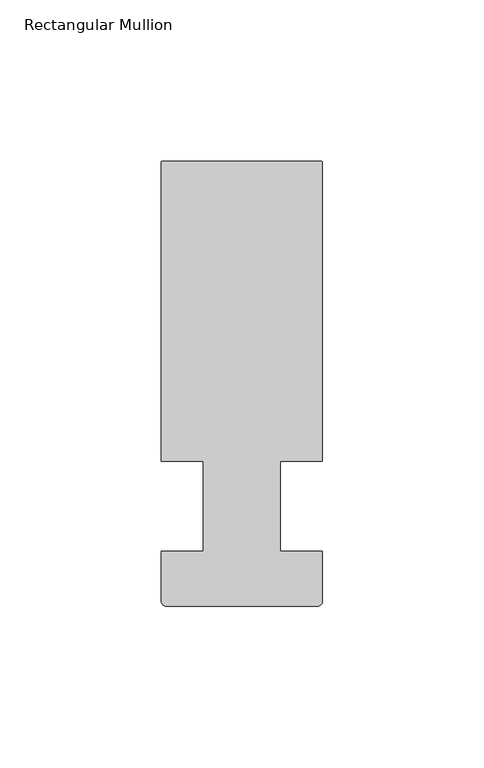
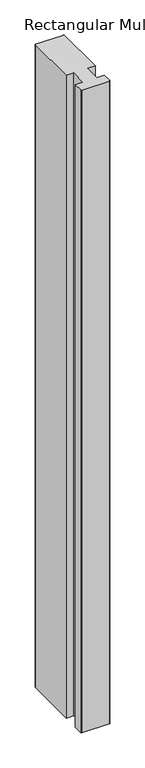
"""IFC4 building model written with IfcOpenShell, lengths in millimetres: member geometry, Rectangular Mullion."""

import ifcopenshell
import ifcopenshell.guid

model = None  # the IFC model being written
_history = None  # IfcOwnerHistory: only IFC2X3 demands one
_inside = {}  # id of a spatial element -> (the spatial element, [elements in it])
_under = {}  # id of a project, library or spatial element -> (it, [spatial elements below it])
_declared = {}  # id of a project -> (the project, [libraries it declares])
_typed = {}  # id of a type object -> (the type object, [elements of that type])
_made_of = {}  # id of a material, layer set ... -> (it, [elements and type objects made of it])


def new_model(schema):
    """Start an empty IFC model of exactly this schema.

    Asked for "IFC4X3", IfcOpenShell would pick the latest addendum, in which some entities
    have other attributes; the version numbers below select the first issue.
    IFC2X3 requires an IfcOwnerHistory on every rooted entity: one is made here for all.
    """
    global model, _history
    if schema == "IFC4X3":
        model = ifcopenshell.file(schema_version=(4, 3, 0, 0))
    else:
        model = ifcopenshell.file(schema=schema)
    _inside.clear()
    _under.clear()
    _declared.clear()
    _typed.clear()
    _made_of.clear()
    _history = None
    if model.schema == "IFC2X3":
        org = make("IfcOrganization", Name="unknown")
        user = make(
            "IfcPersonAndOrganization",
            ThePerson=make("IfcPerson", FamilyName="unknown"),
            TheOrganization=org,
        )
        app = make(
            "IfcApplication",
            ApplicationDeveloper=org,
            Version="unknown",
            ApplicationFullName="unknown",
            ApplicationIdentifier="unknown",
        )
        _history = make(
            "IfcOwnerHistory",
            OwningUser=user,
            OwningApplication=app,
            ChangeAction="ADDED",
            CreationDate=0,
        )
    return model


def make(cls, **values):
    """One entity of the class cls with the attributes given. An attribute that is None is left unset."""
    return model.create_entity(
        cls, **{name: value for name, value in values.items() if value is not None}
    )


def rooted(cls, **values):
    """An entity with a GlobalId (a new one), such as an element, a storey or a relation."""
    return make(cls, GlobalId=ifcopenshell.guid.new(), OwnerHistory=_history, **values)


def si_unit(unit_type, name, prefix=None):
    """IfcSIUnit, for example si_unit("LENGTHUNIT", "METRE", prefix="MILLI")."""
    return make("IfcSIUnit", UnitType=unit_type, Prefix=prefix, Name=name)


def assignment(units):
    """IfcUnitAssignment: the units of a project."""
    return None if units is None else make("IfcUnitAssignment", Units=units)


def point(xyz):
    """IfcCartesianPoint."""
    return None if xyz is None else make("IfcCartesianPoint", Coordinates=xyz)


def direction(xyz):
    """IfcDirection."""
    return None if xyz is None else make("IfcDirection", DirectionRatios=xyz)


def frame(location, z_axis=None, x_axis=None):
    """IfcAxis2Placement3D, a coordinate frame: its origin and axes. An axis left out is left unset."""
    return make(
        "IfcAxis2Placement3D",
        Location=point(location),
        Axis=direction(z_axis),
        RefDirection=direction(x_axis),
    )


def frame_2d(location, x_axis=None):
    """IfcAxis2Placement2D, a coordinate frame in the plane: its origin and x axis."""
    return make(
        "IfcAxis2Placement2D", Location=point(location), RefDirection=direction(x_axis)
    )


def origin():
    """The frame at (0, 0, 0) with its axes left unset."""
    return frame((0.0, 0.0, 0.0))


def place(relative_to, where):
    """IfcLocalPlacement: puts the frame where relative to a parent placement (None: the world)."""
    return make(
        "IfcLocalPlacement", PlacementRelTo=relative_to, RelativePlacement=where
    )


def context(
    kind, dimensions, precision=None, world=None, true_north=None, identifier=None
):
    """IfcGeometricRepresentationContext, for example the 3D "Model" context."""
    return make(
        "IfcGeometricRepresentationContext",
        ContextIdentifier=identifier,
        ContextType=kind,
        CoordinateSpaceDimension=dimensions,
        Precision=precision,
        WorldCoordinateSystem=world,
        TrueNorth=true_north,
    )


def project(units=None, contexts=None):
    """IfcProject with its units and contexts."""
    return rooted(
        "IfcProject",
        Name="project",
        RepresentationContexts=contexts,
        UnitsInContext=assignment(units),
    )


def spatial(cls, under=None, at=None, **own):
    """A site, building, storey or space (cls), placed at a placement, below another one or the project."""
    s = rooted(cls, ObjectPlacement=at, **own)
    if under is not None:
        _under.setdefault(under.id(), (under, []))[1].append(s)
    return s


def polyline(points):
    """IfcPolyline through the points."""
    return make("IfcPolyline", Points=[point(p) for p in points])


def circle_curve(where, radius):
    """IfcCircle in the frame where."""
    return make("IfcCircle", Position=where, Radius=radius)


def trimmed(basis, trim1, trim2, sense, master):
    """IfcTrimmedCurve: the piece of a basis curve between two trims."""
    return make(
        "IfcTrimmedCurve",
        BasisCurve=basis,
        Trim1=trim1,
        Trim2=trim2,
        SenseAgreement=sense,
        MasterRepresentation=master,
    )


def segment(curve, same_sense, transition):
    """IfcCompositeCurveSegment."""
    return make(
        "IfcCompositeCurveSegment",
        Transition=transition,
        SameSense=same_sense,
        ParentCurve=curve,
    )


def composite_curve(segments, self_intersect=None):
    """IfcCompositeCurve: segments joined end to end."""
    return make("IfcCompositeCurve", Segments=segments, SelfIntersect=self_intersect)


def outline(outer, holes=None, kind="AREA"):
    """IfcArbitraryClosedProfileDef: a profile drawn as a closed curve; with holes, ...WithVoids."""
    if holes is None:
        return make("IfcArbitraryClosedProfileDef", ProfileType=kind, OuterCurve=outer)
    return make(
        "IfcArbitraryProfileDefWithVoids",
        ProfileType=kind,
        OuterCurve=outer,
        InnerCurves=holes,
    )


def extrude(swept, where, along, depth):
    """IfcExtrudedAreaSolid: the profile swept, set in the frame where, extruded along a direction by depth."""
    return make(
        "IfcExtrudedAreaSolid",
        SweptArea=swept,
        Position=where,
        ExtrudedDirection=direction(along),
        Depth=depth,
    )


def shape(context_of_items, identifier, shape_type, items):
    """IfcShapeRepresentation: the items that make up one representation, for example the "Body"."""
    return make(
        "IfcShapeRepresentation",
        ContextOfItems=context_of_items,
        RepresentationIdentifier=identifier,
        RepresentationType=shape_type,
        Items=items,
    )


def source(mapping_origin, context_of_items, identifier, shape_type, items):
    """IfcRepresentationMap: a shape defined once, which mapped items show again and again."""
    return make(
        "IfcRepresentationMap",
        MappingOrigin=mapping_origin,
        MappedRepresentation=shape(context_of_items, identifier, shape_type, items),
    )


def transform(
    local_origin,
    x_axis=None,
    y_axis=None,
    z_axis=None,
    scale=None,
    scale2=None,
    scale3=None,
    uniform=True,
):
    """IfcCartesianTransformationOperator3D, or its non-uniform kind. x_axis, y_axis, z_axis: its Axis1, 2, 3."""
    if uniform:
        return make(
            "IfcCartesianTransformationOperator3D",
            Axis1=direction(x_axis),
            Axis2=direction(y_axis),
            LocalOrigin=point(local_origin),
            Scale=scale,
            Axis3=direction(z_axis),
        )
    return make(
        "IfcCartesianTransformationOperator3DnonUniform",
        Axis1=direction(x_axis),
        Axis2=direction(y_axis),
        LocalOrigin=point(local_origin),
        Scale=scale,
        Axis3=direction(z_axis),
        Scale2=scale2,
        Scale3=scale3,
    )


def mapped(mapping_source, mapping_target):
    """IfcMappedItem: shows the shape of a source again, moved by a transform."""
    return make(
        "IfcMappedItem", MappingSource=mapping_source, MappingTarget=mapping_target
    )


def made_of(thing, what):
    """Note that an element or type object is made of a material, layer set ...; save() writes the relation."""
    if what is not None:
        _made_of.setdefault(what.id(), (what, []))[1].append(thing)
    return thing


def element(
    cls,
    number,
    at=None,
    inside=None,
    cuts=None,
    type_object=None,
    material=None,
    context=None,
    identifier="Body",
    shape_type=None,
    held_by="IfcProductDefinitionShape",
    body=None,
    shapes=None,
    **own,
):
    """One element of the class cls, such as IfcWall. Its Tag is "e" and its number.

    at: its placement. inside: the storey or other place that contains it. cuts: it is an
    opening in that element (IfcRelVoidsElement). A single representation is given by context,
    identifier, shape_type and body (its items); several are given by shapes. held_by: the class
    of the entity that holds the representations. save() writes the other relations.
    """
    e = rooted(cls, Tag="e%d" % number, ObjectPlacement=at, **own)
    if body is not None:
        shapes = [shape(context, identifier, shape_type, body)]
    if shapes is not None:
        e.Representation = make(held_by, Representations=shapes)
    if inside is not None:
        _inside.setdefault(inside.id(), (inside, []))[1].append(e)
    if cuts is not None:
        rooted(
            "IfcRelVoidsElement", RelatingBuildingElement=cuts, RelatedOpeningElement=e
        )
    if type_object is not None:
        _typed.setdefault(type_object.id(), (type_object, []))[1].append(e)
    return made_of(e, material)


def aggregate(whole, parts):
    """IfcRelAggregates: a whole, such as a stair, and the parts it consists of."""
    return rooted("IfcRelAggregates", RelatingObject=whole, RelatedObjects=parts)


def save(model, path):
    """Write the relations noted so far, then the file.

    IfcRelAggregates (storeys below a building ...), IfcRelContainedInSpatialStructure (elements
    in a storey), IfcRelDefinesByType, IfcRelAssociatesMaterial and IfcRelDeclares: one each for
    every whole, place, type object, material and project.
    """
    for whole, parts in _under.values():
        aggregate(whole, parts)
    for where, things in _inside.values():
        rooted(
            "IfcRelContainedInSpatialStructure",
            RelatedElements=things,
            RelatingStructure=where,
        )
    for kind, things in _typed.values():
        rooted("IfcRelDefinesByType", RelatedObjects=things, RelatingType=kind)
    for what, things in _made_of.values():
        rooted("IfcRelAssociatesMaterial", RelatedObjects=things, RelatingMaterial=what)
    for by, libraries in _declared.values():
        rooted("IfcRelDeclares", RelatingContext=by, RelatedDefinitions=libraries)
    model.write(path)


def rectangular_mullion_8192d4da(model_context):
    return source(origin(), model_context, "Body", "SweptSolid", [
        extrude(outline(composite_curve([segment(polyline([(25.0000007, 106.500001), (25.0000007, 14.0), (12.0000006, 14.0), (12.0000006, -14.0), (25.0000007, -14.0), (25.0000007, -29.499999)]), True, "CONTINUOUS"), segment(trimmed(circle_curve(frame_2d((23.5000007, -29.499999)), 1.5), [point((25.0000007, -29.499999))], [point((23.5000007, -30.999999))], False, "CARTESIAN"), True, "CONTINUOUS"), segment(polyline([(23.5000007, -30.999999), (-23.4999993, -30.999999)]), True, "CONTINUOUS"), segment(trimmed(circle_curve(frame_2d((-23.4999993, -29.499999)), 1.5), [point((-23.4999993, -30.999999))], [point((-24.9999993, -29.499999))], False, "CARTESIAN"), True, "CONTINUOUS"), segment(polyline([(-24.9999993, -29.499999), (-24.9999993, -14.0), (-11.9995134, -14.0), (-11.9995134, 14.0), (-24.9999993, 14.0), (-24.9999993, 106.500001)]), True, "CONTINUOUS"), segment(trimmed(circle_curve(frame_2d((-24.4999993, 106.500001)), 0.5), [point((-24.9999993, 106.500001))], [point((-24.4999993, 107.000001))], False, "CARTESIAN"), True, "CONTINUOUS"), segment(polyline([(-24.4999993, 107.000001), (24.5000007, 107.000001)]), True, "CONTINUOUS"), segment(trimmed(circle_curve(frame_2d((24.5000007, 106.500001)), 0.5), [point((24.5000007, 107.000001))], [point((25.0000007, 106.500001))], False, "CARTESIAN"), True, "CONTINUOUS")], self_intersect=False)), frame((0.0, 0.0, -1172.2222222), z_axis=(0.0, 0.0, 1.0), x_axis=(1.0, 0.0, 0.0)), (0.0, 0.0, 1.0), 1172.2222222),
    ])


if __name__ == "__main__":
    model = new_model("IFC4")
    model_context = context("Model", 3, world=origin())
    ifc_project = project(units=[si_unit("LENGTHUNIT", "METRE", prefix="MILLI")], contexts=[model_context])
    site = spatial("IfcSite", under=ifc_project)
    building = spatial("IfcBuilding", under=site)
    placement = place(None, origin())
    rectangular_mullion_shape = rectangular_mullion_8192d4da(model_context)
    element("IfcMember", 1, ObjectType="Rectangular Mullion", at=placement, inside=building, context=model_context, shape_type="MappedRepresentation", body=[
        mapped(rectangular_mullion_shape, transform((0.0, 0.0, 0.0), x_axis=(1.0, 0.0, 0.0), y_axis=(0.0, 1.0, 0.0), z_axis=(0.0, 0.0, 1.0))),
    ])
    save(model, "model.ifc")
